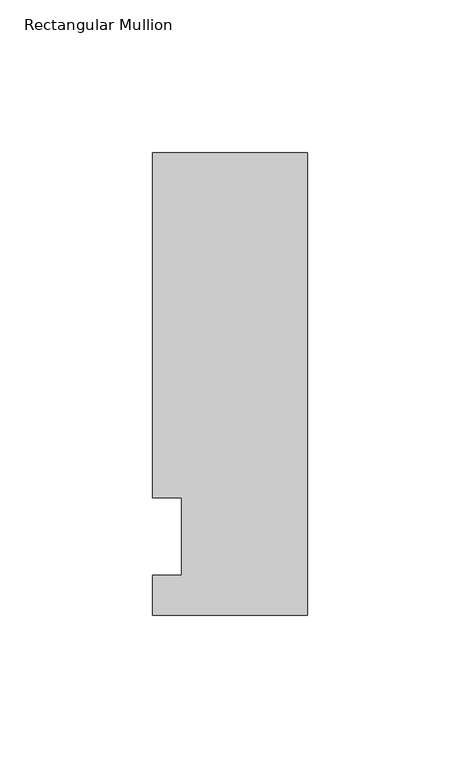
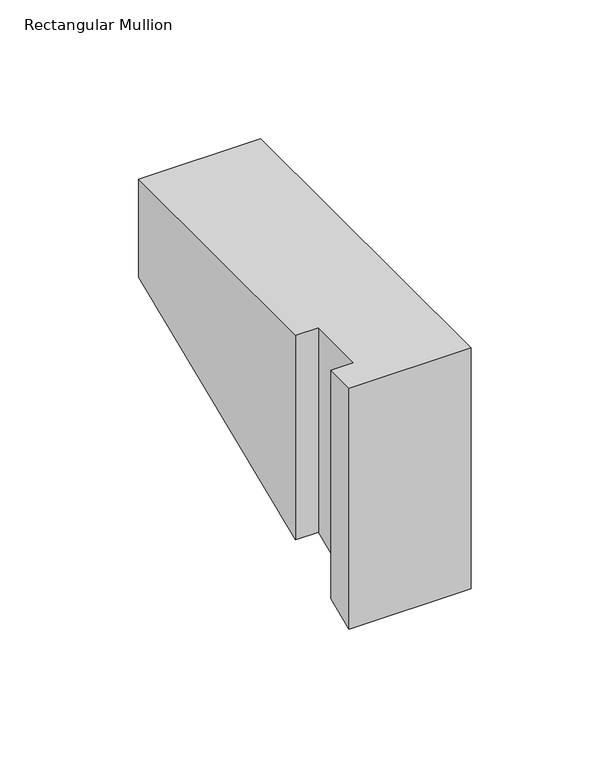
"""IFC4 building model written with IfcOpenShell, lengths in millimetres: member geometry, Rectangular Mullion."""

import ifcopenshell
import ifcopenshell.guid

model = None  # the IFC model being written
_history = None  # IfcOwnerHistory: only IFC2X3 demands one
_inside = {}  # id of a spatial element -> (the spatial element, [elements in it])
_under = {}  # id of a project, library or spatial element -> (it, [spatial elements below it])
_declared = {}  # id of a project -> (the project, [libraries it declares])
_typed = {}  # id of a type object -> (the type object, [elements of that type])
_made_of = {}  # id of a material, layer set ... -> (it, [elements and type objects made of it])


def new_model(schema):
    """Start an empty IFC model of exactly this schema.

    Asked for "IFC4X3", IfcOpenShell would pick the latest addendum, in which some entities
    have other attributes; the version numbers below select the first issue.
    IFC2X3 requires an IfcOwnerHistory on every rooted entity: one is made here for all.
    """
    global model, _history
    if schema == "IFC4X3":
        model = ifcopenshell.file(schema_version=(4, 3, 0, 0))
    else:
        model = ifcopenshell.file(schema=schema)
    _inside.clear()
    _under.clear()
    _declared.clear()
    _typed.clear()
    _made_of.clear()
    _history = None
    if model.schema == "IFC2X3":
        org = make("IfcOrganization", Name="unknown")
        user = make(
            "IfcPersonAndOrganization",
            ThePerson=make("IfcPerson", FamilyName="unknown"),
            TheOrganization=org,
        )
        app = make(
            "IfcApplication",
            ApplicationDeveloper=org,
            Version="unknown",
            ApplicationFullName="unknown",
            ApplicationIdentifier="unknown",
        )
        _history = make(
            "IfcOwnerHistory",
            OwningUser=user,
            OwningApplication=app,
            ChangeAction="ADDED",
            CreationDate=0,
        )
    return model


def make(cls, **values):
    """One entity of the class cls with the attributes given. An attribute that is None is left unset."""
    return model.create_entity(
        cls, **{name: value for name, value in values.items() if value is not None}
    )


def rooted(cls, **values):
    """An entity with a GlobalId (a new one), such as an element, a storey or a relation."""
    return make(cls, GlobalId=ifcopenshell.guid.new(), OwnerHistory=_history, **values)


def si_unit(unit_type, name, prefix=None):
    """IfcSIUnit, for example si_unit("LENGTHUNIT", "METRE", prefix="MILLI")."""
    return make("IfcSIUnit", UnitType=unit_type, Prefix=prefix, Name=name)


def assignment(units):
    """IfcUnitAssignment: the units of a project."""
    return None if units is None else make("IfcUnitAssignment", Units=units)


def point(xyz):
    """IfcCartesianPoint."""
    return None if xyz is None else make("IfcCartesianPoint", Coordinates=xyz)


def direction(xyz):
    """IfcDirection."""
    return None if xyz is None else make("IfcDirection", DirectionRatios=xyz)


def frame(location, z_axis=None, x_axis=None):
    """IfcAxis2Placement3D, a coordinate frame: its origin and axes. An axis left out is left unset."""
    return make(
        "IfcAxis2Placement3D",
        Location=point(location),
        Axis=direction(z_axis),
        RefDirection=direction(x_axis),
    )


def origin():
    """The frame at (0, 0, 0) with its axes left unset."""
    return frame((0.0, 0.0, 0.0))


def place(relative_to, where):
    """IfcLocalPlacement: puts the frame where relative to a parent placement (None: the world)."""
    return make(
        "IfcLocalPlacement", PlacementRelTo=relative_to, RelativePlacement=where
    )


def context(
    kind, dimensions, precision=None, world=None, true_north=None, identifier=None
):
    """IfcGeometricRepresentationContext, for example the 3D "Model" context."""
    return make(
        "IfcGeometricRepresentationContext",
        ContextIdentifier=identifier,
        ContextType=kind,
        CoordinateSpaceDimension=dimensions,
        Precision=precision,
        WorldCoordinateSystem=world,
        TrueNorth=true_north,
    )


def project(units=None, contexts=None):
    """IfcProject with its units and contexts."""
    return rooted(
        "IfcProject",
        Name="project",
        RepresentationContexts=contexts,
        UnitsInContext=assignment(units),
    )


def spatial(cls, under=None, at=None, **own):
    """A site, building, storey or space (cls), placed at a placement, below another one or the project."""
    s = rooted(cls, ObjectPlacement=at, **own)
    if under is not None:
        _under.setdefault(under.id(), (under, []))[1].append(s)
    return s


def faces_of(points, faces, orient=None, outer=None):
    """IfcFace entities. A face is a list of loops; a loop is a list of indices into points, from 0.

    orient and outer hold one flag for each loop. By default every Orientation is true, the
    first loop of a face is its IfcFaceOuterBound and the others are IfcFaceBound.
    """
    made = []
    for i, loops in enumerate(faces):
        bounds = []
        for j, loop in enumerate(loops):
            is_outer = j == 0 if outer is None else outer[i][j]
            bounds.append(
                make(
                    "IfcFaceOuterBound" if is_outer else "IfcFaceBound",
                    Bound=make("IfcPolyLoop", Polygon=[points[k] for k in loop]),
                    Orientation=True if orient is None else orient[i][j],
                )
            )
        made.append(make("IfcFace", Bounds=bounds))
    return made


def faceted_brep(points, faces, orient=None, outer=None, voids=None):
    """IfcFacetedBrep: a solid bounded by flat faces; with voids (closed shells), ...WithVoids."""
    shared = [point(p) for p in points]
    hull = make("IfcClosedShell", CfsFaces=faces_of(shared, faces, orient, outer))
    if voids is None:
        return make("IfcFacetedBrep", Outer=hull)
    return make(
        "IfcFacetedBrepWithVoids",
        Outer=hull,
        Voids=[
            make(cls, CfsFaces=faces_of(shared, fs, o, b)) for cls, fs, o, b in voids
        ],
    )


def shape(context_of_items, identifier, shape_type, items):
    """IfcShapeRepresentation: the items that make up one representation, for example the "Body"."""
    return make(
        "IfcShapeRepresentation",
        ContextOfItems=context_of_items,
        RepresentationIdentifier=identifier,
        RepresentationType=shape_type,
        Items=items,
    )


def source(mapping_origin, context_of_items, identifier, shape_type, items):
    """IfcRepresentationMap: a shape defined once, which mapped items show again and again."""
    return make(
        "IfcRepresentationMap",
        MappingOrigin=mapping_origin,
        MappedRepresentation=shape(context_of_items, identifier, shape_type, items),
    )


def transform(
    local_origin,
    x_axis=None,
    y_axis=None,
    z_axis=None,
    scale=None,
    scale2=None,
    scale3=None,
    uniform=True,
):
    """IfcCartesianTransformationOperator3D, or its non-uniform kind. x_axis, y_axis, z_axis: its Axis1, 2, 3."""
    if uniform:
        return make(
            "IfcCartesianTransformationOperator3D",
            Axis1=direction(x_axis),
            Axis2=direction(y_axis),
            LocalOrigin=point(local_origin),
            Scale=scale,
            Axis3=direction(z_axis),
        )
    return make(
        "IfcCartesianTransformationOperator3DnonUniform",
        Axis1=direction(x_axis),
        Axis2=direction(y_axis),
        LocalOrigin=point(local_origin),
        Scale=scale,
        Axis3=direction(z_axis),
        Scale2=scale2,
        Scale3=scale3,
    )


def mapped(mapping_source, mapping_target):
    """IfcMappedItem: shows the shape of a source again, moved by a transform."""
    return make(
        "IfcMappedItem", MappingSource=mapping_source, MappingTarget=mapping_target
    )


def made_of(thing, what):
    """Note that an element or type object is made of a material, layer set ...; save() writes the relation."""
    if what is not None:
        _made_of.setdefault(what.id(), (what, []))[1].append(thing)
    return thing


def element(
    cls,
    number,
    at=None,
    inside=None,
    cuts=None,
    type_object=None,
    material=None,
    context=None,
    identifier="Body",
    shape_type=None,
    held_by="IfcProductDefinitionShape",
    body=None,
    shapes=None,
    **own,
):
    """One element of the class cls, such as IfcWall. Its Tag is "e" and its number.

    at: its placement. inside: the storey or other place that contains it. cuts: it is an
    opening in that element (IfcRelVoidsElement). A single representation is given by context,
    identifier, shape_type and body (its items); several are given by shapes. held_by: the class
    of the entity that holds the representations. save() writes the other relations.
    """
    e = rooted(cls, Tag="e%d" % number, ObjectPlacement=at, **own)
    if body is not None:
        shapes = [shape(context, identifier, shape_type, body)]
    if shapes is not None:
        e.Representation = make(held_by, Representations=shapes)
    if inside is not None:
        _inside.setdefault(inside.id(), (inside, []))[1].append(e)
    if cuts is not None:
        rooted(
            "IfcRelVoidsElement", RelatingBuildingElement=cuts, RelatedOpeningElement=e
        )
    if type_object is not None:
        _typed.setdefault(type_object.id(), (type_object, []))[1].append(e)
    return made_of(e, material)


def aggregate(whole, parts):
    """IfcRelAggregates: a whole, such as a stair, and the parts it consists of."""
    return rooted("IfcRelAggregates", RelatingObject=whole, RelatedObjects=parts)


def save(model, path):
    """Write the relations noted so far, then the file.

    IfcRelAggregates (storeys below a building ...), IfcRelContainedInSpatialStructure (elements
    in a storey), IfcRelDefinesByType, IfcRelAssociatesMaterial and IfcRelDeclares: one each for
    every whole, place, type object, material and project.
    """
    for whole, parts in _under.values():
        aggregate(whole, parts)
    for where, things in _inside.values():
        rooted(
            "IfcRelContainedInSpatialStructure",
            RelatedElements=things,
            RelatingStructure=where,
        )
    for kind, things in _typed.values():
        rooted("IfcRelDefinesByType", RelatedObjects=things, RelatingType=kind)
    for what, things in _made_of.values():
        rooted("IfcRelAssociatesMaterial", RelatedObjects=things, RelatingMaterial=what)
    for by, libraries in _declared.values():
        rooted("IfcRelDeclares", RelatingContext=by, RelatedDefinitions=libraries)
    model.write(path)


def rectangular_mullion_f1b9e39a(model_context):
    return source(origin(), model_context, "Body", "Brep", [
        faceted_brep([(-50.8, -25.7961253, 0.0), (0.0, -25.7961253, 0.0), (0.0, 125.8036906, 0.0), (-50.8, 125.8036906, 0.0), (-50.8, 12.7, 0.0), (-41.275, 12.7, 0.0), (-41.275, -12.7, 0.0), (-50.8, -12.7, 0.0), (-50.8, -25.7961253, -105.935105), (0.0, -25.7961253, -105.935105), (0.0, 125.8036906, -43.1404052), (-50.8, 125.8036906, -43.1404052), (-50.8, 12.7, -89.9894878), (-41.275, 12.7, -89.9894878), (-41.275, -12.7, -100.5105122), (-50.8, -12.7, -100.5105122)], [[[0, 1, 2, 3, 4, 5, 6, 7]], [[1, 0, 8, 9]], [[2, 1, 9, 10]], [[3, 2, 10, 11]], [[4, 3, 11, 12]], [[5, 4, 12, 13]], [[6, 5, 13, 14]], [[7, 6, 14, 15]], [[0, 7, 15, 8]], [[8, 15, 14, 13, 12, 11, 10, 9]]]),
    ])


if __name__ == "__main__":
    model = new_model("IFC4")
    model_context = context("Model", 3, world=origin())
    ifc_project = project(units=[si_unit("LENGTHUNIT", "METRE", prefix="MILLI")], contexts=[model_context])
    site = spatial("IfcSite", under=ifc_project)
    building = spatial("IfcBuilding", under=site)
    placement = place(None, origin())
    rectangular_mullion_shape = rectangular_mullion_f1b9e39a(model_context)
    element("IfcMember", 1, ObjectType="Rectangular Mullion", at=placement, inside=building, context=model_context, shape_type="MappedRepresentation", body=[
        mapped(rectangular_mullion_shape, transform((0.0, 0.0, 0.0), x_axis=(1.0, 0.0, 0.0), y_axis=(0.0, 1.0, 0.0), z_axis=(0.0, 0.0, 1.0))),
    ])
    save(model, "model.ifc")
